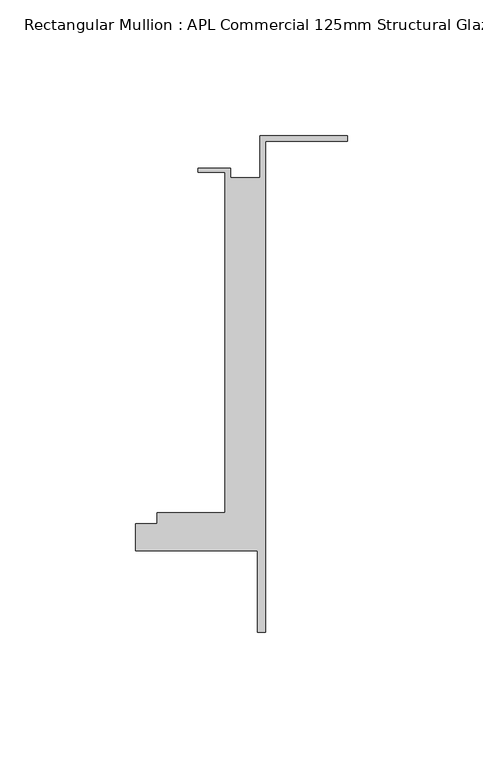
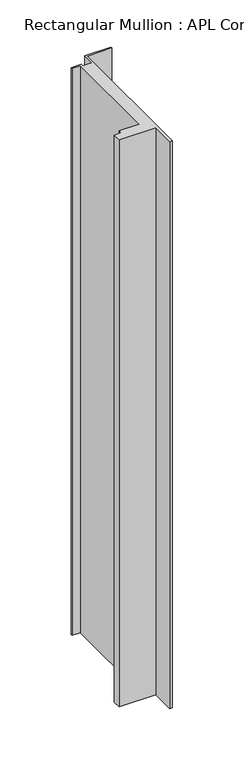
"""IFC4 building model written with IfcOpenShell, lengths in millimetres: member geometry, Rectangular Mullion : APL Commercial 125mm Structural Glaze SubSill."""

from ifc_helpers import new_model, si_unit, frame, origin, place, context, project, spatial, polyline, outline, extrude, source, transform, mapped, element, save


def rectangular_mullion_apl_commercial_125mm_structural_glaze_191ac546(model_context):
    return source(origin(), model_context, "Body", "SweptSolid", [
        extrude(outline(polyline([(-32.1465839, 41.25), (0.0, 41.25), (0.0, 39.25), (-30.1465839, 39.25), (-30.1465839, -141.75), (-33.1466122, -141.75), (-33.1466122, -111.75), (-78.1466122, -111.75), (-78.1466122, -101.75), (-70.1466122, -101.75), (-70.1466122, -97.75), (-45.1465839, -97.75), (-45.1465839, 27.75), (-55.1465839, 27.75), (-55.1465839, 29.25), (-43.1465839, 29.25), (-43.1465839, 25.75), (-32.1465839, 25.75), (-32.1465839, 41.25)])), frame((0.0, 0.0, -735.6233737), z_axis=(0.0, 0.0, 1.0), x_axis=(1.0, 0.0, 0.0)), (0.0, 0.0, 1.0), 735.6233737),
    ])


if __name__ == "__main__":
    model = new_model("IFC4")
    model_context = context("Model", 3, world=origin())
    ifc_project = project(units=[si_unit("LENGTHUNIT", "METRE", prefix="MILLI")], contexts=[model_context])
    site = spatial("IfcSite", under=ifc_project)
    building = spatial("IfcBuilding", under=site)
    placement = place(None, origin())
    rectangular_mullion_apl_commercial_125mm_structural_glaze_shape = rectangular_mullion_apl_commercial_125mm_structural_glaze_191ac546(model_context)
    element("IfcMember", 1, ObjectType="Rectangular Mullion : APL Commercial 125mm Structural Glaze SubSill", at=placement, inside=building, context=model_context, shape_type="MappedRepresentation", body=[
        mapped(rectangular_mullion_apl_commercial_125mm_structural_glaze_shape, transform((0.0, 0.0, 0.0), x_axis=(1.0, 0.0, 0.0), y_axis=(0.0, 1.0, 0.0), z_axis=(0.0, 0.0, 1.0))),
    ])
    save(model, "model.ifc")
